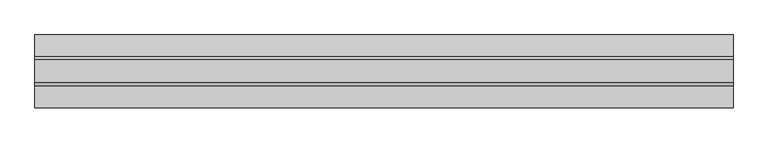
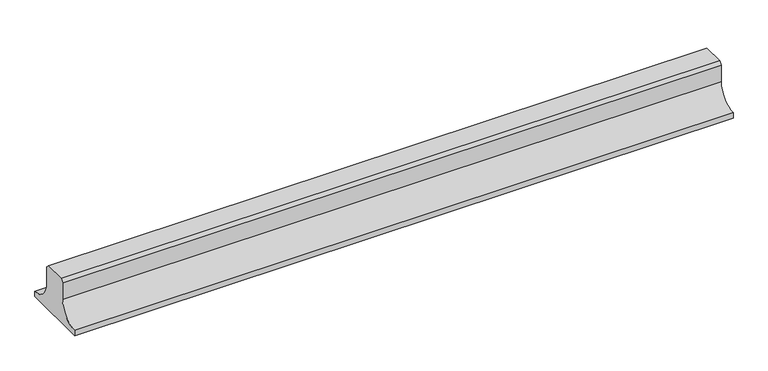
"""IFC4 building model written with IfcOpenShell, lengths in millimetres: proxy geometry."""

from ifc_helpers import new_model, si_unit, point, frame, frame_2d, origin, place, context, project, spatial, polyline, circle_curve, trimmed, segment, composite_curve, outline, extrude, source, transform, mapped, element, save


def generic_models_fc7d6f5c(model_context):
    return source(origin(), model_context, "Body", "SweptSolid", [
        extrude(outline(composite_curve([segment(polyline([(-10955.0540151, 138.3316546), (-10944.7856698, 148.6), (-10865.3223642, 148.6), (-10855.0540188, 138.3316546), (-10855.0540188, 75.0)]), True, "CONTINUOUS"), segment(trimmed(circle_curve(frame_2d((-10780.0540188, 75.0)), 75.0), [point((-10855.0540188, 75.0))], [point((-10780.0540188, 0.0))], True, "CARTESIAN"), True, "CONTINUOUS"), segment(polyline([(-10780.0540188, 0.0), (-10780.0540188, -20.0), (-11030.0540151, -20.0), (-11030.0540151, 0.0)]), True, "CONTINUOUS"), segment(trimmed(circle_curve(frame_2d((-11030.0540151, 75.0)), 75.0), [point((-11030.0540151, 0.0))], [point((-10955.0540151, 75.0))], True, "CARTESIAN"), True, "CONTINUOUS"), segment(polyline([(-10955.0540151, 75.0), (-10955.0540151, 138.3316546)]), True, "CONTINUOUS")], self_intersect=False)), frame((4237.6420344, 0.0, 0.0), z_axis=(1.0, 0.0, 0.0), x_axis=(0.0, 1.0, 0.0)), (0.0, 0.0, 1.0), 2400.0),
    ])


if __name__ == "__main__":
    model = new_model("IFC4")
    model_context = context("Model", 3, world=origin())
    ifc_project = project(units=[si_unit("LENGTHUNIT", "METRE", prefix="MILLI")], contexts=[model_context])
    site = spatial("IfcSite", under=ifc_project)
    building = spatial("IfcBuilding", under=site)
    placement = place(None, origin())
    generic_models_shape = generic_models_fc7d6f5c(model_context)
    element("IfcBuildingElementProxy", 1, Name="Generic Models", at=placement, inside=building, context=model_context, shape_type="MappedRepresentation", body=[
        mapped(generic_models_shape, transform((0.0, 0.0, 0.0), x_axis=(1.0, 0.0, 0.0), y_axis=(0.0, 1.0, 0.0), z_axis=(0.0, 0.0, 1.0))),
    ])
    save(model, "model.ifc")
